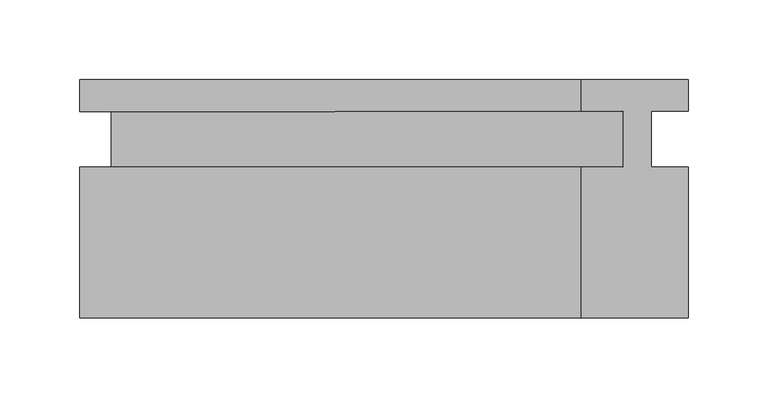
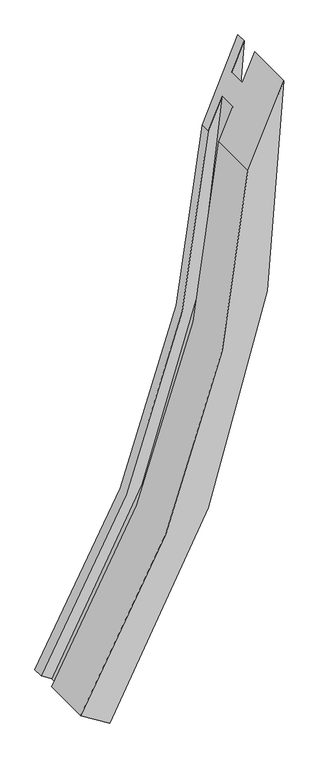
"""IFC4 building model written with IfcOpenShell, lengths in millimetres: member geometry."""

from ifc_helpers import new_model, si_unit, frame, origin, place, context, project, spatial, polyline, circle_curve, source, transform, mapped, element, save
from ifc_brep_helpers import plane_surface, cylinder_surface, revolved_surface, advanced_brep


def member_73bf2174(model_context):
    return source(origin(), model_context, "Body", "AdvancedBrep", [
        advanced_brep(
        [(-383.2157497, 17.0, -1087.9045118), (-68.1316918, 17.0, -112.4028993), (-68.1316918, 37.0, -112.4028993), (-383.2157497, 37.0, -1087.9045118), (-363.1568122, 17.0, -1100.7370557), (-41.8424065, 17.0, -51.7199071), (-363.1568122, -18.0, -1100.7370557), (-41.8424065, -18.0, -51.7199071), (-383.2157497, -18.0, -1087.9045118), (-68.1316918, -18.0, -112.4028993), (-383.2157497, -113.0, -1087.9045118), (-68.1316918, -113.0, -112.4028993), (-328.4616946, -113.0, -1122.932978), (-0.4604105, -113.0, 43.8012648), (-328.4616946, -18.0, -1122.932978), (-0.4604105, -18.0, 43.8012648), (-348.5206321, -18.0, -1110.1004341), (-23.8375541, -18.0, -10.1596934), (-348.5206321, 17.0, -1110.1004341), (-23.8375541, 17.0, -10.1596934), (-328.4616946, 17.0, -1122.932978), (-0.4604105, 17.0, 43.8012648), (-328.4616946, 37.0, -1122.932978), (-0.4604105, 37.0, 43.8012648)],
        [
            (0, 1, circle_curve(frame((-2083.7522008, 17.0, 0.0), z_axis=(0.0, -1.0, 0.0), x_axis=(1.0, 0.0, 0.0)), 2018.7522008)),
            (1, 2),
            (2, 3, circle_curve(frame((-2083.7522008, 37.0, 0.0), z_axis=(0.0, 1.0, 0.0), x_axis=(1.0, 0.0, 0.0)), 2018.7522008)),
            (3, 0),
            (4, 5, circle_curve(frame((-2083.7522008, 17.0, 0.0), z_axis=(0.0, -1.0, 0.0), x_axis=(1.0, 0.0, 0.0)), 2042.5647008)),
            (5, 1),
            (0, 4),
            (6, 7, circle_curve(frame((-2083.7522008, -18.0, 0.0), z_axis=(0.0, -1.0, 0.0), x_axis=(1.0, 0.0, 0.0)), 2042.5647008)),
            (7, 5),
            (4, 6),
            (8, 9, circle_curve(frame((-2083.7522008, -18.0, 0.0), z_axis=(0.0, -1.0, 0.0), x_axis=(1.0, 0.0, 0.0)), 2018.7522008)),
            (9, 7),
            (6, 8),
            (10, 11, circle_curve(frame((-2083.7522008, -113.0, 0.0), z_axis=(0.0, -1.0, 0.0), x_axis=(1.0, 0.0, 0.0)), 2018.7522008)),
            (11, 9),
            (8, 10),
            (12, 13, circle_curve(frame((-2083.7522008, -113.0, 0.0), z_axis=(0.0, -1.0, 0.0), x_axis=(1.0, 0.0, 0.0)), 2083.7522008)),
            (13, 11),
            (10, 12),
            (14, 15, circle_curve(frame((-2083.7522008, -18.0, 0.0), z_axis=(0.0, -1.0, 0.0), x_axis=(1.0, 0.0, 0.0)), 2083.7522008)),
            (15, 13),
            (12, 14),
            (16, 17, circle_curve(frame((-2083.7522008, -18.0, 0.0), z_axis=(0.0, -1.0, 0.0), x_axis=(1.0, 0.0, 0.0)), 2059.9397008)),
            (17, 15),
            (14, 16),
            (18, 19, circle_curve(frame((-2083.7522008, 17.0, 0.0), z_axis=(0.0, -1.0, 0.0), x_axis=(1.0, 0.0, 0.0)), 2059.9397008)),
            (19, 17),
            (16, 18),
            (20, 21, circle_curve(frame((-2083.7522008, 17.0, 0.0), z_axis=(0.0, -1.0, 0.0), x_axis=(1.0, 0.0, 0.0)), 2083.7522008)),
            (21, 19),
            (18, 20),
            (22, 23, circle_curve(frame((-2083.7522008, 37.0, 0.0), z_axis=(0.0, -1.0, 0.0), x_axis=(1.0, 0.0, 0.0)), 2083.7522008)),
            (23, 21),
            (20, 22),
            (2, 23),
            (22, 3),
        ],
        [
            revolved_surface(polyline([(-65.0, 37.0, 0.0), (-65.0, 17.0, 0.0)]), (-2083.7522008, 0.0, 0.0), (0.0, 1.0, 0.0)),
            plane_surface(frame((-2083.7522008, 17.0, 0.0), z_axis=(0.0, -1.0, 0.0), x_axis=(1.0, 0.0, 0.0))),
            revolved_surface(polyline([(-41.1875, 17.0, 0.0), (-41.1875, -18.0, 0.0)]), (-2083.7522008, 0.0, 0.0), (0.0, 1.0, 0.0)),
            plane_surface(frame((-2083.7522008, -18.0, 0.0), z_axis=(0.0, 1.0, 0.0), x_axis=(1.0, 0.0, 0.0))),
            revolved_surface(polyline([(-65.0, -18.0, 0.0), (-65.0, -113.0, 0.0)]), (-2083.7522008, 0.0, 0.0), (0.0, 1.0, 0.0)),
            plane_surface(frame((-2083.7522008, -113.0, 0.0), z_axis=(0.0, -1.0, 0.0), x_axis=(1.0, 0.0, 0.0))),
            cylinder_surface(frame((-2083.7522008, 0.0, 0.0), z_axis=(0.0, 1.0, 0.0), x_axis=(1.0, 0.0, 0.0)), 2083.7522008),
            cylinder_surface(frame((-2083.7522008, 0.0, 0.0), z_axis=(0.0, 1.0, 0.0), x_axis=(1.0, 0.0, 0.0)), 2059.9397008),
            plane_surface(frame((-2083.7522008, 37.0, 0.0), z_axis=(0.0, 1.0, 0.0), x_axis=(1.0, 0.0, 0.0))),
            plane_surface(frame((-32.7295211, 0.0, -30.6848297), z_axis=(-0.9175924610743782, 0.0, 0.3975224212286217), x_axis=(-0.3975224212286217, 0.0, -0.9175924610743782))),
            plane_surface(frame((-71.7072945, 0.0, -1287.1895396), z_axis=(-0.5388994802510292, 0.0, -0.8423700791131952), x_axis=(0.0, -1.0, 0.0))),
        ],
        [
            (0, [[1, 2, 3, 4]]),
            (1, [[5, 6, -1, 7]]),
            (2, [[8, 9, -5, 10]]),
            (3, [[11, 12, -8, 13]]),
            (4, [[14, 15, -11, 16]]),
            (5, [[17, 18, -14, 19]]),
            (6, [[20, 21, -17, 22]]),
            (3, [[23, 24, -20, 25]]),
            (7, [[26, 27, -23, 28]]),
            (1, [[29, 30, -26, 31]]),
            (6, [[32, 33, -29, 34]]),
            (8, [[-3, 35, -32, 36]]),
            (9, [[-2, -6, -9, -12, -15, -18, -21, -24, -27, -30, -33, -35]]),
            (10, [[-36, -34, -31, -28, -25, -22, -19, -16, -13, -10, -7, -4]]),
        ],
    ),
    ])


if __name__ == "__main__":
    model = new_model("IFC4")
    model_context = context("Model", 3, world=origin())
    ifc_project = project(units=[si_unit("LENGTHUNIT", "METRE", prefix="MILLI")], contexts=[model_context])
    site = spatial("IfcSite", under=ifc_project)
    building = spatial("IfcBuilding", under=site)
    placement = place(None, origin())
    member_shape = member_73bf2174(model_context)
    element("IfcMember", 1, at=placement, inside=building, context=model_context, shape_type="MappedRepresentation", body=[
        mapped(member_shape, transform((0.0, 0.0, 0.0), x_axis=(1.0, 0.0, 0.0), y_axis=(0.0, 1.0, 0.0), z_axis=(0.0, 0.0, 1.0))),
    ])
    save(model, "model.ifc")
